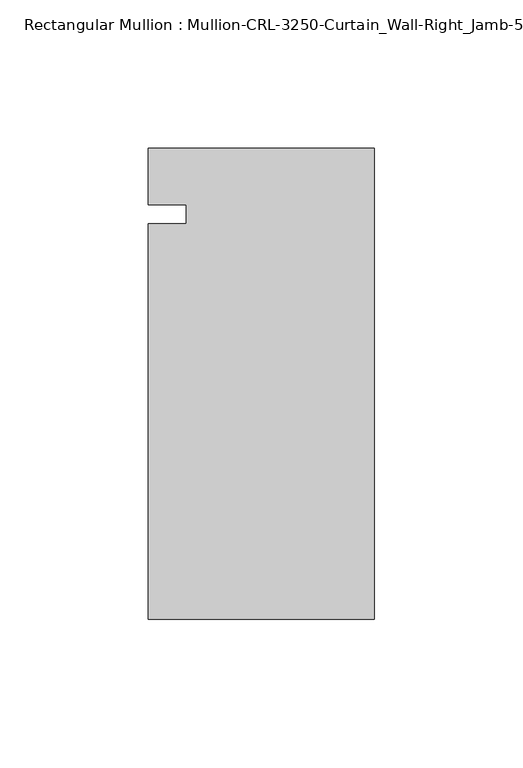
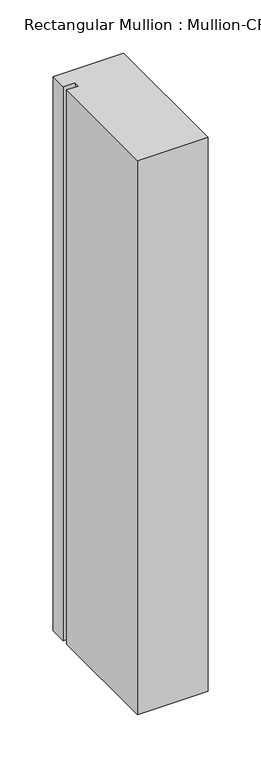
"""IFC4 building model written with IfcOpenShell, lengths in millimetres: member geometry."""

from ifc_helpers import new_model, si_unit, frame, origin, place, context, project, spatial, polyline, outline, extrude, source, transform, mapped, element, save


def member_09fb283e(model_context):
    return source(origin(), model_context, "Body", "SweptSolid", [
        extrude(outline(polyline([(0.0, 22.2254168), (0.0, -136.5240673), (-76.199997, -136.5240673), (-76.199997, -3.175), (-63.499997, -3.175), (-63.499997, 3.175), (-76.199997, 3.175), (-76.199997, 22.2254168), (0.0, 22.2254168)])), frame((0.0, 0.0, -635.0), z_axis=(0.0, 0.0, 1.0), x_axis=(1.0, 0.0, 0.0)), (0.0, 0.0, 1.0), 635.0),
    ])


if __name__ == "__main__":
    model = new_model("IFC4")
    model_context = context("Model", 3, world=origin())
    ifc_project = project(units=[si_unit("LENGTHUNIT", "METRE", prefix="MILLI")], contexts=[model_context])
    site = spatial("IfcSite", under=ifc_project)
    building = spatial("IfcBuilding", under=site)
    placement = place(None, origin())
    member_shape = member_09fb283e(model_context)
    element("IfcMember", 1, ObjectType="Rectangular Mullion : Mullion-CRL-3250-Curtain_Wall-Right_Jamb-5\"", at=placement, inside=building, context=model_context, shape_type="MappedRepresentation", body=[
        mapped(member_shape, transform((0.0, 0.0, 0.0), x_axis=(1.0, 0.0, 0.0), y_axis=(0.0, 1.0, 0.0), z_axis=(0.0, 0.0, 1.0))),
    ])
    save(model, "model.ifc")
